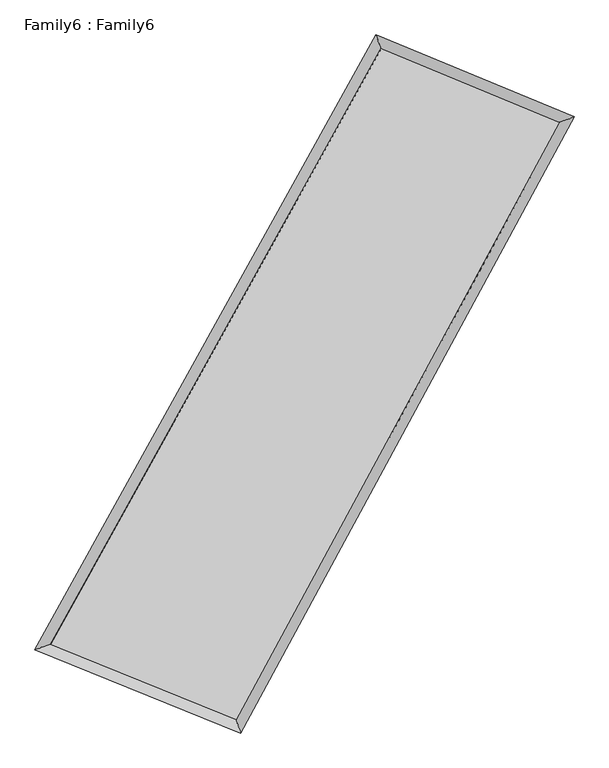
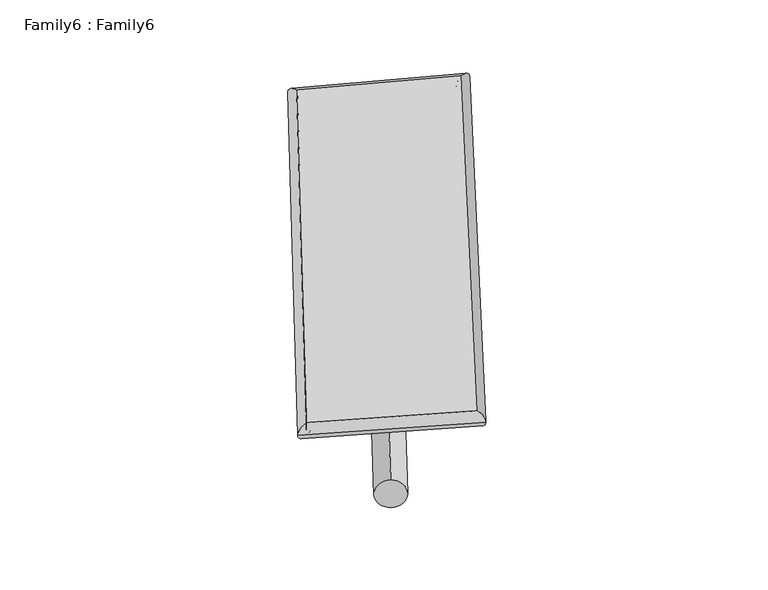
"""IFC4 building model written with IfcOpenShell, lengths in millimetres: plate geometry, Family6 : Family6."""

from ifc_helpers import new_model, si_unit, point, frame, origin, origin_2d, place, context, project, spatial, circle_curve, ellipse_curve, trimmed, segment, composite_curve, outline, extrude, source, transform, mapped, element, save
from ifc_brep_helpers import plane_surface, cylinder_surface, spline_surface, advanced_brep


def family6_family6_b2e8a2e4(model_context):
    return source(origin(), model_context, "Body", "SolidModel", [
        extrude(outline(composite_curve([segment(trimmed(circle_curve(origin_2d(), 76.2), [point((-75.4341514, -10.7763073))], [point((75.4341514, 10.7763073))], False, "CARTESIAN"), True, "CONTINUOUS"), segment(trimmed(circle_curve(origin_2d(), 76.2), [point((75.4341514, 10.7763073))], [point((-75.4341514, -10.7763073))], False, "CARTESIAN"), True, "CONTINUOUS")], self_intersect=False)), frame((9144.0, 9144.0, 0.0), z_axis=(0.6714059811566154, 0.6921543782594164, 0.26483263606180285), x_axis=(-0.6831905220995396, 0.7165532560019348, -0.1407200832375545)), (0.0, 0.0, 1.0), 5828.4717864),
        extrude(outline(composite_curve([segment(trimmed(circle_curve(origin_2d(), 76.2), [point((-53.8815367, 53.8815367))], [point((53.8815367, -53.8815367))], False, "CARTESIAN"), True, "CONTINUOUS"), segment(trimmed(circle_curve(origin_2d(), 76.2), [point((53.8815367, -53.8815367))], [point((-53.8815367, 53.8815367))], False, "CARTESIAN"), True, "CONTINUOUS")], self_intersect=False)), frame((9144.0, 9144.0, 0.0), z_axis=(-0.6778213605195008, -0.6864689366564704, 0.2632842612638055), x_axis=(0.6346681033148927, -0.3655377073782953, 0.6808660537281153)), (0.0, 0.0, 1.0), 5861.1129642),
        extrude(outline(composite_curve([segment(trimmed(circle_curve(origin_2d(), 76.2), [point((-53.8815368, -53.8815368))], [point((53.8815368, 53.8815368))], False, "CARTESIAN"), True, "CONTINUOUS"), segment(trimmed(circle_curve(origin_2d(), 76.2), [point((53.8815368, 53.8815368))], [point((-53.8815368, -53.8815368))], False, "CARTESIAN"), True, "CONTINUOUS")], self_intersect=False)), frame((9144.0, 9144.0, 0.0), z_axis=(0.2068443377117559, 0.9396381598652526, 0.27257209776796176), x_axis=(-0.8509068397227461, 0.3102758621872178, -0.4238943729952401)), (0.0, 0.0, 1.0), 5514.7831169),
        extrude(outline(composite_curve([segment(trimmed(circle_curve(origin_2d(), 76.2), [point((-75.4341514, 10.7763074))], [point((75.4341514, -10.7763074))], False, "CARTESIAN"), True, "CONTINUOUS"), segment(trimmed(circle_curve(origin_2d(), 76.2), [point((75.4341514, -10.7763074))], [point((-75.4341514, 10.7763074))], False, "CARTESIAN"), True, "CONTINUOUS")], self_intersect=False)), frame((9144.0, 9144.0, 0.0), z_axis=(-0.1966786180847916, -0.9417742596324395, 0.2727247056686048), x_axis=(0.8991654308323205, -0.06234759669536945, 0.4331446700381285)), (0.0, 0.0, 1.0), 5514.0950748),
        advanced_brep(
        [(4954.3925322, 5043.9804024, 1540.6969536), (4954.3511134, 5043.9257468, 1546.3684819), (5388.0323407, 5197.0756292, 1545.5806404), (10351.9256441, 14133.1436667, 1506.7869641), (10217.4776788, 14518.6576534, 1499.5650417), (5388.0737595, 5197.1302848, 1539.9091121), (12842.7237528, 13102.083726, 1543.0753877), (13271.817884, 13254.320805, 1544.0637071), (7990.3872409, 4143.3679169, 1504.4922477), (8128.6035605, 3758.5664699, 1503.1676649)],
        [
            (0, 1, ellipse_curve(frame((5171.2124364, 5120.5280158, 1543.138797), z_axis=(-0.33296810742992033, 0.9429146035113611, 0.006655067208485703), x_axis=(-0.942854639280886, -0.3330242431281035, 0.010953660368303966)), 230.016992, 152.4)),
            (1, 2, ellipse_curve(frame((5171.2124364, 5120.5280158, 1543.138797), z_axis=(-0.33296810742992033, 0.9429146035113611, 0.006655067208485703), x_axis=(-0.942854639280886, -0.3330242431281035, 0.010953660368303966)), 230.016992, 152.4)),
            (2, 3),
            (3, 4, ellipse_curve(frame((10284.7016614, 14325.90066, 1503.1760029), z_axis=(-0.9441683087815903, -0.3293998904735816, -0.006474322242796641), x_axis=(0.3292998577510682, -0.9441363941108282, 0.012964297147511987)), 204.1766398, 152.4)),
            (4, 0),
            (2, 5, ellipse_curve(frame((5171.2124364, 5120.5280158, 1543.138797), z_axis=(-0.33296810742992033, 0.9429146035113611, 0.006655067208485703), x_axis=(-0.942854639280886, -0.3330242431281035, 0.010953660368303966)), 230.016992, 152.4)),
            (5, 0, ellipse_curve(frame((5171.2124364, 5120.5280158, 1543.138797), z_axis=(-0.33296810742992033, 0.9429146035113611, 0.006655067208485703), x_axis=(-0.942854639280886, -0.3330242431281035, 0.010953660368303966)), 230.016992, 152.4)),
            (4, 3, ellipse_curve(frame((10284.7016614, 14325.90066, 1503.1760029), z_axis=(-0.9441683087815903, -0.3293998904735816, -0.006474322242796641), x_axis=(0.3292998577510682, -0.9441363941108282, 0.012964297147511987)), 204.1766398, 152.4)),
            (3, 6),
            (6, 7, ellipse_curve(frame((13057.2708184, 13178.2022655, 1543.5695474), z_axis=(-0.3343431691382257, 0.9424237068956991, -0.007225090420011964), x_axis=(-0.9423567628587756, -0.3344084120787422, -0.011607989718437487)), 227.6629188, 152.4)),
            (7, 4),
            (7, 6, ellipse_curve(frame((13057.2708184, 13178.2022655, 1543.5695474), z_axis=(-0.3343431691382257, 0.9424237068956991, -0.007225090420011964), x_axis=(-0.9423567628587756, -0.3344084120787422, -0.011607989718437487)), 227.6629188, 152.4)),
            (6, 8),
            (8, 9, ellipse_curve(frame((8059.4954007, 3950.9671934, 1503.8299563), z_axis=(0.9411075370137624, 0.33805554372185215, -0.0059205687913334165), x_axis=(-0.33796733599586326, 0.941077433101671, 0.012302223645710377)), 204.4435368, 152.4)),
            (9, 7),
            (9, 8, ellipse_curve(frame((8059.4954007, 3950.9671934, 1503.8299563), z_axis=(0.9411075370137624, 0.33805554372185215, -0.0059205687913334165), x_axis=(-0.33796733599586326, 0.941077433101671, 0.012302223645710377)), 204.4435368, 152.4)),
            (8, 5),
            (1, 9),
        ],
        [
            cylinder_surface(frame((5171.2124364, 5120.5280158, 1543.138797), z_axis=(-0.4855954081316811, -0.8741754386224811, 0.0037950112804764164), x_axis=(-0.874038834909101, 0.4854313533022967, -0.02031049733123796)), 152.4),
            cylinder_surface(frame((10284.7016614, 14325.90066, 1503.1760029), z_axis=(-0.9238826830369428, 0.38243903470208923, -0.013460041626775098), x_axis=(0.38259296954434147, 0.9238429954879448, -0.01169355989867624)), 152.4),
            cylinder_surface(frame((13057.2708184, 13178.2022655, 1543.5695474), z_axis=(0.4762568752485831, 0.8792980427008072, 0.0037869355665022726), x_axis=(0.8793056736782568, -0.4762568752485831, -0.0009596956196890258)), 152.4),
            cylinder_surface(frame((8059.4954007, 3950.9671934, 1503.8299563), z_axis=(0.9268179381877943, -0.37529908372558607, -0.012613770572729511), x_axis=(-0.375238861383105, -0.9269022247366776, 0.0069327257344006755)), 152.4),
        ],
        [
            (0, [[1, 2, 3, 4, 5]]),
            (0, [[6, 7, -5, 8, -3]]),
            (1, [[-4, 9, 10, 11]]),
            (1, [[-8, -11, 12, -9]]),
            (2, [[-10, 13, 14, 15]]),
            (2, [[-12, -15, 16, -13]]),
            (3, [[-14, 17, -6, -2, 18]]),
            (3, [[-16, -18, -1, -7, -17]]),
        ],
    ),
        extrude(outline(composite_curve([segment(trimmed(circle_curve(origin_2d(), 304.8), [point((0.0, -304.8))], [point((1e-07, 304.8))], False, "CARTESIAN"), True, "CONTINUOUS"), segment(trimmed(circle_curve(origin_2d(), 304.8), [point((1e-07, 304.8))], [point((0.0, -304.8))], False, "CARTESIAN"), True, "CONTINUOUS")], self_intersect=False)), frame((6590.7844934, 4526.2430989, -0.0233014), z_axis=(0.48387442827253196, 0.875137439288498, 4.415983544466493e-06), x_axis=(-0.8751374392988976, 0.48387442827253196, 1.1395332779715675e-06)), (0.0, 0.0, 1.0), 10553.2152866),
        advanced_brep(
        [(5171.2124364, 5120.5280158, 1543.138797), (8059.4954007, 3950.9671934, 1503.8299563), (8059.5046991, 3950.9646827, 1656.229956), (5171.2217349, 5120.5255051, 1695.5387967), (13057.2708184, 13178.2022655, 1543.5695474), (13057.2801168, 13178.1997548, 1695.9695471), (10284.7016614, 14325.90066, 1503.1760029), (10284.7109599, 14325.8981493, 1655.5760026)],
        [
            (0, 1),
            (1, 2),
            (2, 3),
            (3, 0),
            (1, 4),
            (4, 5),
            (5, 2),
            (4, 6),
            (6, 7),
            (7, 5),
            (6, 0),
            (3, 7),
        ],
        [
            plane_surface(frame((6615.3539186, 4535.7476046, 1523.4843766), z_axis=(-0.37532885445715286, -0.9268917147939466, 7.630124546928116e-06), x_axis=(0.9268179381877942, -0.3752990837255863, -0.012613770572729511))),
            plane_surface(frame((10558.3831095, 8564.5847295, 1523.6997519), z_axis=(0.8793044569720257, -0.4762600845834706, -6.149533792694289e-05), x_axis=(0.47625687524858296, 0.8792980427008075, 0.0037869355665022843))),
            plane_surface(frame((11670.9862399, 13752.0514628, 1523.3727752), z_axis=(0.3824737840808572, 0.9239663437728828, -8.114253845626848e-06), x_axis=(-0.9238826830369425, 0.3824390347020893, -0.013460041626775091))),
            plane_surface(frame((7727.9570489, 9723.2143379, 1523.1573999), z_axis=(-0.8741816189964942, 0.485599107542926, 6.133663089592963e-05), x_axis=(-0.4855954081316813, -0.874175438622481, 0.003795011280476422))),
            spline_surface(1, 1, [[(8059.5046991, 3950.9646827, 1656.229956), (5171.2217349, 5120.5255051, 1695.5387967)], [(13057.2801168, 13178.1997548, 1695.9695471), (10284.7109599, 14325.8981493, 1655.5760026)]], [2, 2], [2, 2], [0.0, 1.0], [0.0, 1.0]),
            spline_surface(1, 1, [[(10284.7016614, 14325.90066, 1503.1760029), (5171.2124364, 5120.5280158, 1543.138797)], [(13057.2708184, 13178.2022655, 1543.5695474), (8059.4954007, 3950.9671934, 1503.8299563)]], [2, 2], [2, 2], [0.0, 1.0], [0.0, 1.0]),
        ],
        [
            (0, [[1, 2, 3, 4]]),
            (1, [[5, 6, 7, -2]]),
            (2, [[8, 9, 10, -6]]),
            (3, [[11, -4, 12, -9]]),
            (4, [[-3, -7, -10, -12]]),
            (5, [[-11, -8, -5, -1]]),
        ],
    ),
    ])


if __name__ == "__main__":
    model = new_model("IFC4")
    model_context = context("Model", 3, world=origin())
    ifc_project = project(units=[si_unit("LENGTHUNIT", "METRE", prefix="MILLI")], contexts=[model_context])
    site = spatial("IfcSite", under=ifc_project)
    building = spatial("IfcBuilding", under=site)
    placement = place(None, origin())
    family6_family6_shape = family6_family6_b2e8a2e4(model_context)
    element("IfcPlate", 1, ObjectType="Family6 : Family6", at=placement, inside=building, context=model_context, shape_type="MappedRepresentation", body=[
        mapped(family6_family6_shape, transform((0.0, 0.0, 0.0), x_axis=(1.0, 0.0, 0.0), y_axis=(0.0, 1.0, 0.0), z_axis=(0.0, 0.0, 1.0))),
    ])
    save(model, "model.ifc")
